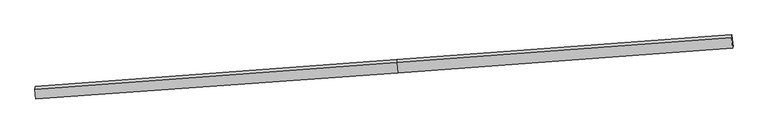
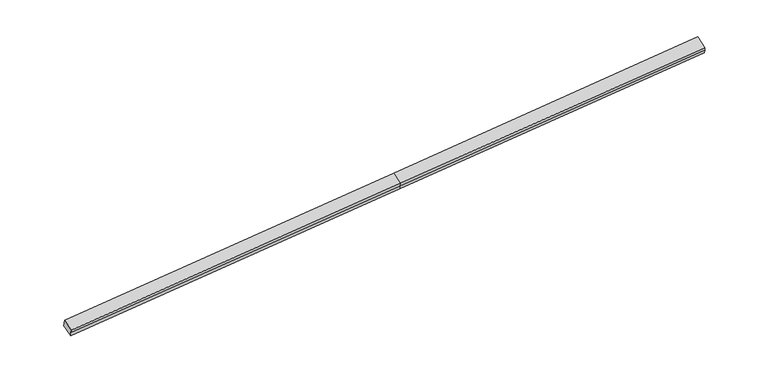
"""IFC4 building model written with IfcOpenShell, lengths in millimetres: proxy geometry."""

from ifc_helpers import new_model, si_unit, frame, origin, place, context, project, spatial, source, transform, mapped, element, save
from ifc_brep_helpers import plane_surface, spline_surface, advanced_brep


def generic_models_1565b373(model_context):
    return source(origin(), model_context, "Body", "AdvancedBrep", [
        advanced_brep(
        [(-15328.3147367, -2549.5574409, 1035.5323846), (-15337.8929186, -2671.8304442, 1360.550493), (352.559111, -1510.9859968, 2277.1094236), (362.137293, -1388.7129935, 1952.0913152), (-15280.3179228, -3033.2005856, 830.4109447), (412.0998126, -1890.4734512, 1736.3744415), (-15286.5679371, -3065.1697505, 980.4058226), (405.8350134, -1922.518242, 1886.7241458), (-15292.8179513, -3097.1389153, 1130.4007006), (399.5702141, -1954.5630328, 2037.0738502), (14943.036124, -853.9015635, 2716.3365172), (14949.2139106, -822.301847, 2568.0750395), (14897.4892804, -301.3826759, 2789.5012408), (14887.9110984, -423.6556792, 3114.5193492), (14936.8583373, -885.50128, 2864.5979948)],
        [
            (0, 1),
            (1, 2),
            (2, 3),
            (3, 0),
            (4, 0),
            (0, 5),
            (5, 4),
            (6, 4),
            (5, 7),
            (7, 6),
            (8, 6),
            (7, 9),
            (9, 8),
            (1, 8),
            (9, 2),
            (10, 11),
            (11, 12),
            (12, 13),
            (13, 14),
            (14, 10),
            (3, 5),
            (5, 11),
            (10, 7),
            (3, 12),
            (2, 13),
            (9, 14),
        ],
        [
            plane_surface(frame((-15333.1038277, -2610.6939425, 1198.0414388), z_axis=(-0.089384293235912, 0.933077082689771, 0.34839289011382407), x_axis=(-0.027571911362232613, -0.35197706753585867, 0.9356024442212039))),
            plane_surface(frame((-15304.3163297, -2791.3790133, 932.9716646), z_axis=(0.02450899262979234, 0.3923954480030717, -0.9194700221686086), x_axis=(-0.09098383531865321, 0.9168047768903784, 0.3888327954040035))),
            plane_surface(frame((-15283.4429299, -3049.185168, 905.4083836), z_axis=(0.08282925317304857, -0.9753696775022505, -0.20443411414915844), x_axis=(0.04071903533752383, 0.20828009284007326, -0.9772212457205953))),
            plane_surface(frame((-15289.6929442, -3081.1543329, 1055.4032616), z_axis=(0.08282925317304853, -0.9753696775022507, -0.20443411414915771), x_axis=(0.04071903533752413, 0.20828009284007254, -0.9772212457205954))),
            plane_surface(frame((-15315.355435, -2884.4846797, 1245.4755968), z_axis=(-0.016023812651517373, -0.4771743192461125, 0.87866256690502), x_axis=(0.09280738139928432, -0.8756914947975843, -0.47386833181484106))),
            plane_surface(frame((14917.8681567, -608.2103705, 2834.1734061), z_axis=(0.9955720539297559, 0.07447467928751146, 0.057356844222024), x_axis=(0.04071903533751782, 0.20828009284007257, -0.9772212457205957))),
            plane_surface(frame((-15309.8358824, -2837.9318465, 1089.2236307), z_axis=(-0.9955720539297537, -0.07447467928753979, -0.05735684422202678), x_axis=(0.027571911362297318, 0.35197706753491875, -0.9356024442215555))),
            plane_surface(frame((-15328.3147367, -2549.5574409, 1035.5323846), z_axis=(0.02423540953065791, 0.39688553865970033, -0.9175480990812857), x_axis=(-0.09109825344524523, 0.9148758245753797, 0.39332344683065207))),
            plane_surface(frame((408.967413, -1906.4958466, 1811.5492936), z_axis=(0.08336065215930592, -0.9753307831054733, -0.20440368195910633), x_axis=(0.04071903533752495, 0.20828009284007207, -0.9772212457205954))),
            spline_surface(1, 1, [[(412.0998126, -1890.4734512, 1736.3744415), (14949.2139106, -822.301847, 2568.0750395)], [(362.137293, -1388.7129935, 1952.0913152), (14897.4892804, -301.3826759, 2789.5012408)]], [2, 2], [2, 2], [0.0, 1.0], [0.0, 1.0]),
            plane_surface(frame((357.348202, -1449.8494951, 2114.6003694), z_axis=(-0.08986698580636719, 0.9330410848802834, 0.34836512280580273), x_axis=(-0.027571911362346973, -0.35197706753486613, 0.9356024442215739))),
            plane_surface(frame((376.0646626, -1732.7745148, 2157.0916369), z_axis=(-0.014935708617253268, -0.4770932069145696, 0.8787257800497675), x_axis=(0.09280738139928395, -0.8756914947976775, -0.473868331814669))),
            plane_surface(frame((402.7026138, -1938.5406374, 1961.898998), z_axis=(0.08336065215930599, -0.9753307831054729, -0.20440368195910835), x_axis=(0.040719035337510694, 0.20828009284007304, -0.9772212457205959))),
        ],
        [
            (0, [[1, 2, 3, 4]]),
            (1, [[5, 6, 7]]),
            (2, [[8, -7, 9, 10]]),
            (3, [[11, -10, 12, 13]]),
            (4, [[14, -13, 15, -2]]),
            (5, [[16, 17, 18, 19, 20]]),
            (6, [[-1, -5, -8, -11, -14]]),
            (7, [[21, -6, -4]]),
            (8, [[-9, 22, -16, 23]]),
            (9, [[-21, 24, -17, -22]]),
            (10, [[-3, 25, -18, -24]]),
            (11, [[-15, 26, -19, -25]]),
            (12, [[-12, -23, -20, -26]]),
        ],
    ),
    ])


if __name__ == "__main__":
    model = new_model("IFC4")
    model_context = context("Model", 3, world=origin())
    ifc_project = project(units=[si_unit("LENGTHUNIT", "METRE", prefix="MILLI")], contexts=[model_context])
    site = spatial("IfcSite", under=ifc_project)
    building = spatial("IfcBuilding", under=site)
    placement = place(None, origin())
    generic_models_shape = generic_models_1565b373(model_context)
    element("IfcBuildingElementProxy", 1, Name="Generic Models", at=placement, inside=building, context=model_context, shape_type="MappedRepresentation", body=[
        mapped(generic_models_shape, transform((0.0, 0.0, 0.0), x_axis=(1.0, 0.0, 0.0), y_axis=(0.0, 1.0, 0.0), z_axis=(0.0, 0.0, 1.0))),
    ])
    save(model, "model.ifc")
